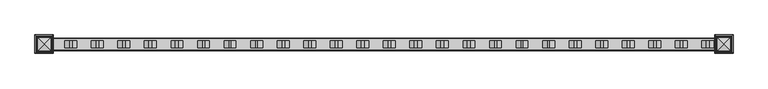
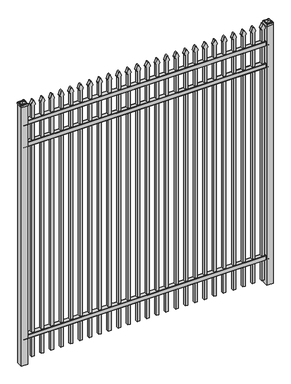
"""IFC4 building model written with IfcOpenShell, lengths in millimetres: railing geometry."""

from ifc_helpers import new_model, si_unit, point, frame, frame_2d, origin, origin_with_axes, place, context, project, spatial, polyline, circle_curve, ellipse_curve, trimmed, segment, composite_curve, outline, extrude, source, transform, mapped, element, save
from ifc_brep_helpers import plane_surface, cylinder_surface, advanced_brep


def railing_880d1dbe(model_context):
    return source(origin(), model_context, "Body", "SolidModel", [
        extrude(outline(composite_curve([segment(polyline([(5777.9139761, 304.8), (5815.969541, 304.8)]), True, "CONTINUOUS"), segment(trimmed(circle_curve(frame_2d((5815.969541, 301.625)), 3.175), [point((5815.969541, 304.8))], [point((5819.144541, 301.625))], False, "CARTESIAN"), True, "CONTINUOUS"), segment(polyline([(5819.144541, 301.625), (5819.144541, 262.1439893)]), True, "CONTINUOUS"), segment(trimmed(circle_curve(frame_2d((5817.3505518, 262.1439893)), 1.7939893), [point((5819.144541, 262.1439893))], [point((5817.3505518, 260.35))], False, "CARTESIAN"), True, "CONTINUOUS"), segment(polyline([(5817.3505518, 260.35), (5814.7590713, 260.35)]), True, "CONTINUOUS"), segment(trimmed(circle_curve(frame_2d((5814.7590713, 262.1359375)), 1.7859375), [point((5814.7590713, 260.35))], [point((5812.9755813, 262.0424688))], False, "CARTESIAN"), True, "CONTINUOUS"), segment(polyline([(5812.9755813, 262.0424688), (5811.4025867, 292.0569942), (5782.4364954, 292.0569942), (5780.8635007, 262.0424688)]), True, "CONTINUOUS"), segment(trimmed(circle_curve(frame_2d((5779.0800108, 262.1359375)), 1.7859375), [point((5780.8635007, 262.0424688))], [point((5779.0800108, 260.35))], False, "CARTESIAN"), True, "CONTINUOUS"), segment(polyline([(5779.0800108, 260.35), (5776.4804785, 260.35)]), True, "CONTINUOUS"), segment(trimmed(circle_curve(frame_2d((5776.4804785, 262.1359375)), 1.7859375), [point((5776.4804785, 260.35))], [point((5774.694541, 262.1359375))], False, "CARTESIAN"), True, "CONTINUOUS"), segment(polyline([(5774.694541, 262.1359375), (5774.694541, 301.5805649)]), True, "CONTINUOUS"), segment(trimmed(circle_curve(frame_2d((5777.9139761, 301.5805649)), 3.2194351), [point((5774.694541, 301.5805649))], [point((5777.9139761, 304.8))], False, "CARTESIAN"), True, "CONTINUOUS")], self_intersect=False)), frame((-28443.4649936, 0.0, 0.0), z_axis=(1.0, 0.0, 0.0), x_axis=(0.0, 1.0, 0.0)), (0.0, 0.0, 1.0), 2438.4),
        extrude(outline(composite_curve([segment(polyline([(5777.9139761, 2324.1), (5815.969541, 2324.1)]), True, "CONTINUOUS"), segment(trimmed(circle_curve(frame_2d((5815.969541, 2320.925)), 3.175), [point((5815.969541, 2324.1))], [point((5819.144541, 2320.925))], False, "CARTESIAN"), True, "CONTINUOUS"), segment(polyline([(5819.144541, 2320.925), (5819.144541, 2281.4439893)]), True, "CONTINUOUS"), segment(trimmed(circle_curve(frame_2d((5817.3505518, 2281.4439893)), 1.7939893), [point((5819.144541, 2281.4439893))], [point((5817.3505518, 2279.65))], False, "CARTESIAN"), True, "CONTINUOUS"), segment(polyline([(5817.3505518, 2279.65), (5814.7590713, 2279.65)]), True, "CONTINUOUS"), segment(trimmed(circle_curve(frame_2d((5814.7590713, 2281.4359375)), 1.7859375), [point((5814.7590713, 2279.65))], [point((5812.9755813, 2281.3424688))], False, "CARTESIAN"), True, "CONTINUOUS"), segment(polyline([(5812.9755813, 2281.3424688), (5811.4025867, 2311.3569942), (5782.4364954, 2311.3569942), (5780.8635007, 2281.3424688)]), True, "CONTINUOUS"), segment(trimmed(circle_curve(frame_2d((5779.0800108, 2281.4359375)), 1.7859375), [point((5780.8635007, 2281.3424688))], [point((5779.0800108, 2279.65))], False, "CARTESIAN"), True, "CONTINUOUS"), segment(polyline([(5779.0800108, 2279.65), (5776.4804785, 2279.65)]), True, "CONTINUOUS"), segment(trimmed(circle_curve(frame_2d((5776.4804785, 2281.4359375)), 1.7859375), [point((5776.4804785, 2279.65))], [point((5774.694541, 2281.4359375))], False, "CARTESIAN"), True, "CONTINUOUS"), segment(polyline([(5774.694541, 2281.4359375), (5774.694541, 2320.8805649)]), True, "CONTINUOUS"), segment(trimmed(circle_curve(frame_2d((5777.9139761, 2320.8805649)), 3.2194351), [point((5774.694541, 2320.8805649))], [point((5777.9139761, 2324.1))], False, "CARTESIAN"), True, "CONTINUOUS")], self_intersect=False)), frame((-28443.4649936, 0.0, 0.0), z_axis=(1.0, 0.0, 0.0), x_axis=(0.0, 1.0, 0.0)), (0.0, 0.0, 1.0), 2438.4),
        extrude(outline(composite_curve([segment(polyline([(5777.9139761, 2554.2875), (5815.969541, 2554.2875)]), True, "CONTINUOUS"), segment(trimmed(circle_curve(frame_2d((5815.969541, 2551.1125)), 3.175), [point((5815.969541, 2554.2875))], [point((5819.144541, 2551.1125))], False, "CARTESIAN"), True, "CONTINUOUS"), segment(polyline([(5819.144541, 2551.1125), (5819.144541, 2511.6314893)]), True, "CONTINUOUS"), segment(trimmed(circle_curve(frame_2d((5817.3505518, 2511.6314893)), 1.7939893), [point((5819.144541, 2511.6314893))], [point((5817.3505518, 2509.8375))], False, "CARTESIAN"), True, "CONTINUOUS"), segment(polyline([(5817.3505518, 2509.8375), (5814.7590713, 2509.8375)]), True, "CONTINUOUS"), segment(trimmed(circle_curve(frame_2d((5814.7590713, 2511.6234375)), 1.7859375), [point((5814.7590713, 2509.8375))], [point((5812.9755813, 2511.5299688))], False, "CARTESIAN"), True, "CONTINUOUS"), segment(polyline([(5812.9755813, 2511.5299688), (5811.4025867, 2541.5444942), (5782.4364954, 2541.5444942), (5780.8635007, 2511.5299688)]), True, "CONTINUOUS"), segment(trimmed(circle_curve(frame_2d((5779.0800108, 2511.6234375)), 1.7859375), [point((5780.8635007, 2511.5299688))], [point((5779.0800108, 2509.8375))], False, "CARTESIAN"), True, "CONTINUOUS"), segment(polyline([(5779.0800108, 2509.8375), (5776.4804785, 2509.8375)]), True, "CONTINUOUS"), segment(trimmed(circle_curve(frame_2d((5776.4804785, 2511.6234375)), 1.7859375), [point((5776.4804785, 2509.8375))], [point((5774.694541, 2511.6234375))], False, "CARTESIAN"), True, "CONTINUOUS"), segment(polyline([(5774.694541, 2511.6234375), (5774.694541, 2551.0680649)]), True, "CONTINUOUS"), segment(trimmed(circle_curve(frame_2d((5777.9139761, 2551.0680649)), 3.2194351), [point((5774.694541, 2551.0680649))], [point((5777.9139761, 2554.2875))], False, "CARTESIAN"), True, "CONTINUOUS")], self_intersect=False)), frame((-28443.4649936, 0.0, 0.0), z_axis=(1.0, 0.0, 0.0), x_axis=(0.0, 1.0, 0.0)), (0.0, 0.0, 1.0), 2438.4),
        extrude(outline(composite_curve([segment(polyline([(2683.8798417, -26074.9149936), (50.8, -26074.9149936), (50.8, -26049.5149936), (2683.6579232, -26049.5149936)]), True, "CONTINUOUS"), segment(trimmed(circle_curve(frame_2d((2702.1299402, -26063.3872336)), 23.1009622), [point((2683.6579232, -26049.5149936))], [point((2696.6676176, -26040.9413545))], False, "CARTESIAN"), True, "CONTINUOUS"), segment(polyline([(2696.6676176, -26040.9413545), (2737.1555225, -26057.2605644)]), True, "CONTINUOUS"), segment(trimmed(circle_curve(frame_2d((2734.0045804, -26062.3905764)), 6.0204202), [point((2737.1555225, -26057.2605644))], [point((2737.1555225, -26067.5205884))], False, "CARTESIAN"), True, "CONTINUOUS"), segment(polyline([(2737.1555225, -26067.5205884), (2697.9339948, -26083.4687724)]), True, "CONTINUOUS"), segment(trimmed(circle_curve(frame_2d((2702.1299402, -26060.7520716)), 23.1009622), [point((2697.9339948, -26083.4687724))], [point((2683.8798417, -26074.9149936))], False, "CARTESIAN"), True, "CONTINUOUS")], self_intersect=False)), frame((0.0, 5784.219541, 0.0), z_axis=(0.0, 1.0, 0.0), x_axis=(0.0, 0.0, 1.0)), (0.0, 0.0, 1.0), 25.4),
        extrude(outline(composite_curve([segment(polyline([(2683.8798417, -26170.1649936), (50.8, -26170.1649936), (50.8, -26144.7649936), (2683.6579232, -26144.7649936)]), True, "CONTINUOUS"), segment(trimmed(circle_curve(frame_2d((2702.1299402, -26158.6372336)), 23.1009622), [point((2683.6579232, -26144.7649936))], [point((2696.6676176, -26136.1913545))], False, "CARTESIAN"), True, "CONTINUOUS"), segment(polyline([(2696.6676176, -26136.1913545), (2737.1555225, -26152.5105644)]), True, "CONTINUOUS"), segment(trimmed(circle_curve(frame_2d((2734.0045804, -26157.6405764)), 6.0204202), [point((2737.1555225, -26152.5105644))], [point((2737.1555225, -26162.7705884))], False, "CARTESIAN"), True, "CONTINUOUS"), segment(polyline([(2737.1555225, -26162.7705884), (2697.9339948, -26178.7187724)]), True, "CONTINUOUS"), segment(trimmed(circle_curve(frame_2d((2702.1299402, -26156.0020716)), 23.1009622), [point((2697.9339948, -26178.7187724))], [point((2683.8798417, -26170.1649936))], False, "CARTESIAN"), True, "CONTINUOUS")], self_intersect=False)), frame((0.0, 5784.219541, 0.0), z_axis=(0.0, 1.0, 0.0), x_axis=(0.0, 0.0, 1.0)), (0.0, 0.0, 1.0), 25.4),
        extrude(outline(composite_curve([segment(polyline([(2683.8798417, -26265.4149936), (50.8, -26265.4149936), (50.8, -26240.0149936), (2683.6579232, -26240.0149936)]), True, "CONTINUOUS"), segment(trimmed(circle_curve(frame_2d((2702.1299402, -26253.8872336)), 23.1009622), [point((2683.6579232, -26240.0149936))], [point((2696.6676176, -26231.4413545))], False, "CARTESIAN"), True, "CONTINUOUS"), segment(polyline([(2696.6676176, -26231.4413545), (2737.1555225, -26247.7605644)]), True, "CONTINUOUS"), segment(trimmed(circle_curve(frame_2d((2734.0045804, -26252.8905764)), 6.0204202), [point((2737.1555225, -26247.7605644))], [point((2737.1555225, -26258.0205884))], False, "CARTESIAN"), True, "CONTINUOUS"), segment(polyline([(2737.1555225, -26258.0205884), (2697.9339948, -26273.9687724)]), True, "CONTINUOUS"), segment(trimmed(circle_curve(frame_2d((2702.1299402, -26251.2520716)), 23.1009622), [point((2697.9339948, -26273.9687724))], [point((2683.8798417, -26265.4149936))], False, "CARTESIAN"), True, "CONTINUOUS")], self_intersect=False)), frame((0.0, 5784.219541, 0.0), z_axis=(0.0, 1.0, 0.0), x_axis=(0.0, 0.0, 1.0)), (0.0, 0.0, 1.0), 25.4),
        extrude(outline(composite_curve([segment(polyline([(2683.8798417, -26360.6649936), (50.8, -26360.6649936), (50.8, -26335.2649936), (2683.6579232, -26335.2649936)]), True, "CONTINUOUS"), segment(trimmed(circle_curve(frame_2d((2702.1299402, -26349.1372336)), 23.1009622), [point((2683.6579232, -26335.2649936))], [point((2696.6676176, -26326.6913545))], False, "CARTESIAN"), True, "CONTINUOUS"), segment(polyline([(2696.6676176, -26326.6913545), (2737.1555225, -26343.0105644)]), True, "CONTINUOUS"), segment(trimmed(circle_curve(frame_2d((2734.0045804, -26348.1405764)), 6.0204202), [point((2737.1555225, -26343.0105644))], [point((2737.1555225, -26353.2705884))], False, "CARTESIAN"), True, "CONTINUOUS"), segment(polyline([(2737.1555225, -26353.2705884), (2697.9339948, -26369.2187724)]), True, "CONTINUOUS"), segment(trimmed(circle_curve(frame_2d((2702.1299402, -26346.5020716)), 23.1009622), [point((2697.9339948, -26369.2187724))], [point((2683.8798417, -26360.6649936))], False, "CARTESIAN"), True, "CONTINUOUS")], self_intersect=False)), frame((0.0, 5784.219541, 0.0), z_axis=(0.0, 1.0, 0.0), x_axis=(0.0, 0.0, 1.0)), (0.0, 0.0, 1.0), 25.4),
        extrude(outline(composite_curve([segment(polyline([(2683.8798417, -26455.9149936), (50.8, -26455.9149936), (50.8, -26430.5149936), (2683.6579232, -26430.5149936)]), True, "CONTINUOUS"), segment(trimmed(circle_curve(frame_2d((2702.1299402, -26444.3872336)), 23.1009622), [point((2683.6579232, -26430.5149936))], [point((2696.6676176, -26421.9413545))], False, "CARTESIAN"), True, "CONTINUOUS"), segment(polyline([(2696.6676176, -26421.9413545), (2737.1555225, -26438.2605644)]), True, "CONTINUOUS"), segment(trimmed(circle_curve(frame_2d((2734.0045804, -26443.3905764)), 6.0204202), [point((2737.1555225, -26438.2605644))], [point((2737.1555225, -26448.5205884))], False, "CARTESIAN"), True, "CONTINUOUS"), segment(polyline([(2737.1555225, -26448.5205884), (2697.9339948, -26464.4687724)]), True, "CONTINUOUS"), segment(trimmed(circle_curve(frame_2d((2702.1299402, -26441.7520716)), 23.1009622), [point((2697.9339948, -26464.4687724))], [point((2683.8798417, -26455.9149936))], False, "CARTESIAN"), True, "CONTINUOUS")], self_intersect=False)), frame((0.0, 5784.219541, 0.0), z_axis=(0.0, 1.0, 0.0), x_axis=(0.0, 0.0, 1.0)), (0.0, 0.0, 1.0), 25.4),
        extrude(outline(composite_curve([segment(polyline([(2683.8798417, -26551.1649936), (50.8, -26551.1649936), (50.8, -26525.7649936), (2683.6579232, -26525.7649936)]), True, "CONTINUOUS"), segment(trimmed(circle_curve(frame_2d((2702.1299402, -26539.6372336)), 23.1009622), [point((2683.6579232, -26525.7649936))], [point((2696.6676176, -26517.1913545))], False, "CARTESIAN"), True, "CONTINUOUS"), segment(polyline([(2696.6676176, -26517.1913545), (2737.1555225, -26533.5105644)]), True, "CONTINUOUS"), segment(trimmed(circle_curve(frame_2d((2734.0045804, -26538.6405764)), 6.0204202), [point((2737.1555225, -26533.5105644))], [point((2737.1555225, -26543.7705884))], False, "CARTESIAN"), True, "CONTINUOUS"), segment(polyline([(2737.1555225, -26543.7705884), (2697.9339948, -26559.7187724)]), True, "CONTINUOUS"), segment(trimmed(circle_curve(frame_2d((2702.1299402, -26537.0020716)), 23.1009622), [point((2697.9339948, -26559.7187724))], [point((2683.8798417, -26551.1649936))], False, "CARTESIAN"), True, "CONTINUOUS")], self_intersect=False)), frame((0.0, 5784.219541, 0.0), z_axis=(0.0, 1.0, 0.0), x_axis=(0.0, 0.0, 1.0)), (0.0, 0.0, 1.0), 25.4),
        extrude(outline(composite_curve([segment(polyline([(2683.8798417, -26646.4149936), (50.8, -26646.4149936), (50.8, -26621.0149936), (2683.6579232, -26621.0149936)]), True, "CONTINUOUS"), segment(trimmed(circle_curve(frame_2d((2702.1299402, -26634.8872336)), 23.1009622), [point((2683.6579232, -26621.0149936))], [point((2696.6676176, -26612.4413545))], False, "CARTESIAN"), True, "CONTINUOUS"), segment(polyline([(2696.6676176, -26612.4413545), (2737.1555225, -26628.7605644)]), True, "CONTINUOUS"), segment(trimmed(circle_curve(frame_2d((2734.0045804, -26633.8905764)), 6.0204202), [point((2737.1555225, -26628.7605644))], [point((2737.1555225, -26639.0205884))], False, "CARTESIAN"), True, "CONTINUOUS"), segment(polyline([(2737.1555225, -26639.0205884), (2697.9339948, -26654.9687724)]), True, "CONTINUOUS"), segment(trimmed(circle_curve(frame_2d((2702.1299402, -26632.2520716)), 23.1009622), [point((2697.9339948, -26654.9687724))], [point((2683.8798417, -26646.4149936))], False, "CARTESIAN"), True, "CONTINUOUS")], self_intersect=False)), frame((0.0, 5784.219541, 0.0), z_axis=(0.0, 1.0, 0.0), x_axis=(0.0, 0.0, 1.0)), (0.0, 0.0, 1.0), 25.4),
        extrude(outline(composite_curve([segment(polyline([(2683.8798417, -26741.6649936), (50.8, -26741.6649936), (50.8, -26716.2649936), (2683.6579232, -26716.2649936)]), True, "CONTINUOUS"), segment(trimmed(circle_curve(frame_2d((2702.1299402, -26730.1372336)), 23.1009622), [point((2683.6579232, -26716.2649936))], [point((2696.6676176, -26707.6913545))], False, "CARTESIAN"), True, "CONTINUOUS"), segment(polyline([(2696.6676176, -26707.6913545), (2737.1555225, -26724.0105644)]), True, "CONTINUOUS"), segment(trimmed(circle_curve(frame_2d((2734.0045804, -26729.1405764)), 6.0204202), [point((2737.1555225, -26724.0105644))], [point((2737.1555225, -26734.2705884))], False, "CARTESIAN"), True, "CONTINUOUS"), segment(polyline([(2737.1555225, -26734.2705884), (2697.9339948, -26750.2187724)]), True, "CONTINUOUS"), segment(trimmed(circle_curve(frame_2d((2702.1299402, -26727.5020716)), 23.1009622), [point((2697.9339948, -26750.2187724))], [point((2683.8798417, -26741.6649936))], False, "CARTESIAN"), True, "CONTINUOUS")], self_intersect=False)), frame((0.0, 5784.219541, 0.0), z_axis=(0.0, 1.0, 0.0), x_axis=(0.0, 0.0, 1.0)), (0.0, 0.0, 1.0), 25.4),
        extrude(outline(composite_curve([segment(polyline([(2683.8798417, -26836.9149936), (50.8, -26836.9149936), (50.8, -26811.5149936), (2683.6579232, -26811.5149936)]), True, "CONTINUOUS"), segment(trimmed(circle_curve(frame_2d((2702.1299402, -26825.3872336)), 23.1009622), [point((2683.6579232, -26811.5149936))], [point((2696.6676176, -26802.9413545))], False, "CARTESIAN"), True, "CONTINUOUS"), segment(polyline([(2696.6676176, -26802.9413545), (2737.1555225, -26819.2605644)]), True, "CONTINUOUS"), segment(trimmed(circle_curve(frame_2d((2734.0045804, -26824.3905764)), 6.0204202), [point((2737.1555225, -26819.2605644))], [point((2737.1555225, -26829.5205884))], False, "CARTESIAN"), True, "CONTINUOUS"), segment(polyline([(2737.1555225, -26829.5205884), (2697.9339948, -26845.4687724)]), True, "CONTINUOUS"), segment(trimmed(circle_curve(frame_2d((2702.1299402, -26822.7520716)), 23.1009622), [point((2697.9339948, -26845.4687724))], [point((2683.8798417, -26836.9149936))], False, "CARTESIAN"), True, "CONTINUOUS")], self_intersect=False)), frame((0.0, 5784.219541, 0.0), z_axis=(0.0, 1.0, 0.0), x_axis=(0.0, 0.0, 1.0)), (0.0, 0.0, 1.0), 25.4),
        extrude(outline(composite_curve([segment(polyline([(2683.8798417, -26932.1649936), (50.8, -26932.1649936), (50.8, -26906.7649936), (2683.6579232, -26906.7649936)]), True, "CONTINUOUS"), segment(trimmed(circle_curve(frame_2d((2702.1299402, -26920.6372336)), 23.1009622), [point((2683.6579232, -26906.7649936))], [point((2696.6676176, -26898.1913545))], False, "CARTESIAN"), True, "CONTINUOUS"), segment(polyline([(2696.6676176, -26898.1913545), (2737.1555225, -26914.5105644)]), True, "CONTINUOUS"), segment(trimmed(circle_curve(frame_2d((2734.0045804, -26919.6405764)), 6.0204202), [point((2737.1555225, -26914.5105644))], [point((2737.1555225, -26924.7705884))], False, "CARTESIAN"), True, "CONTINUOUS"), segment(polyline([(2737.1555225, -26924.7705884), (2697.9339948, -26940.7187724)]), True, "CONTINUOUS"), segment(trimmed(circle_curve(frame_2d((2702.1299402, -26918.0020716)), 23.1009622), [point((2697.9339948, -26940.7187724))], [point((2683.8798417, -26932.1649936))], False, "CARTESIAN"), True, "CONTINUOUS")], self_intersect=False)), frame((0.0, 5784.219541, 0.0), z_axis=(0.0, 1.0, 0.0), x_axis=(0.0, 0.0, 1.0)), (0.0, 0.0, 1.0), 25.4),
        extrude(outline(composite_curve([segment(polyline([(2683.8798417, -27027.4149936), (50.8, -27027.4149936), (50.8, -27002.0149936), (2683.6579232, -27002.0149936)]), True, "CONTINUOUS"), segment(trimmed(circle_curve(frame_2d((2702.1299402, -27015.8872336)), 23.1009622), [point((2683.6579232, -27002.0149936))], [point((2696.6676176, -26993.4413545))], False, "CARTESIAN"), True, "CONTINUOUS"), segment(polyline([(2696.6676176, -26993.4413545), (2737.1555225, -27009.7605644)]), True, "CONTINUOUS"), segment(trimmed(circle_curve(frame_2d((2734.0045804, -27014.8905764)), 6.0204202), [point((2737.1555225, -27009.7605644))], [point((2737.1555225, -27020.0205884))], False, "CARTESIAN"), True, "CONTINUOUS"), segment(polyline([(2737.1555225, -27020.0205884), (2697.9339948, -27035.9687724)]), True, "CONTINUOUS"), segment(trimmed(circle_curve(frame_2d((2702.1299402, -27013.2520716)), 23.1009622), [point((2697.9339948, -27035.9687724))], [point((2683.8798417, -27027.4149936))], False, "CARTESIAN"), True, "CONTINUOUS")], self_intersect=False)), frame((0.0, 5784.219541, 0.0), z_axis=(0.0, 1.0, 0.0), x_axis=(0.0, 0.0, 1.0)), (0.0, 0.0, 1.0), 25.4),
        extrude(outline(composite_curve([segment(polyline([(2683.8798417, -27122.6649936), (50.8, -27122.6649936), (50.8, -27097.2649936), (2683.6579232, -27097.2649936)]), True, "CONTINUOUS"), segment(trimmed(circle_curve(frame_2d((2702.1299402, -27111.1372336)), 23.1009622), [point((2683.6579232, -27097.2649936))], [point((2696.6676176, -27088.6913545))], False, "CARTESIAN"), True, "CONTINUOUS"), segment(polyline([(2696.6676176, -27088.6913545), (2737.1555225, -27105.0105644)]), True, "CONTINUOUS"), segment(trimmed(circle_curve(frame_2d((2734.0045804, -27110.1405764)), 6.0204202), [point((2737.1555225, -27105.0105644))], [point((2737.1555225, -27115.2705884))], False, "CARTESIAN"), True, "CONTINUOUS"), segment(polyline([(2737.1555225, -27115.2705884), (2697.9339948, -27131.2187724)]), True, "CONTINUOUS"), segment(trimmed(circle_curve(frame_2d((2702.1299402, -27108.5020716)), 23.1009622), [point((2697.9339948, -27131.2187724))], [point((2683.8798417, -27122.6649936))], False, "CARTESIAN"), True, "CONTINUOUS")], self_intersect=False)), frame((0.0, 5784.219541, 0.0), z_axis=(0.0, 1.0, 0.0), x_axis=(0.0, 0.0, 1.0)), (0.0, 0.0, 1.0), 25.4),
        extrude(outline(composite_curve([segment(polyline([(2683.8798417, -27217.9149936), (50.8, -27217.9149936), (50.8, -27192.5149936), (2683.6579232, -27192.5149936)]), True, "CONTINUOUS"), segment(trimmed(circle_curve(frame_2d((2702.1299402, -27206.3872336)), 23.1009622), [point((2683.6579232, -27192.5149936))], [point((2696.6676176, -27183.9413545))], False, "CARTESIAN"), True, "CONTINUOUS"), segment(polyline([(2696.6676176, -27183.9413545), (2737.1555225, -27200.2605644)]), True, "CONTINUOUS"), segment(trimmed(circle_curve(frame_2d((2734.0045804, -27205.3905764)), 6.0204202), [point((2737.1555225, -27200.2605644))], [point((2737.1555225, -27210.5205884))], False, "CARTESIAN"), True, "CONTINUOUS"), segment(polyline([(2737.1555225, -27210.5205884), (2697.9339948, -27226.4687724)]), True, "CONTINUOUS"), segment(trimmed(circle_curve(frame_2d((2702.1299402, -27203.7520716)), 23.1009622), [point((2697.9339948, -27226.4687724))], [point((2683.8798417, -27217.9149936))], False, "CARTESIAN"), True, "CONTINUOUS")], self_intersect=False)), frame((0.0, 5784.219541, 0.0), z_axis=(0.0, 1.0, 0.0), x_axis=(0.0, 0.0, 1.0)), (0.0, 0.0, 1.0), 25.4),
        extrude(outline(composite_curve([segment(polyline([(2683.8798417, -27313.1649936), (50.8, -27313.1649936), (50.8, -27287.7649936), (2683.6579232, -27287.7649936)]), True, "CONTINUOUS"), segment(trimmed(circle_curve(frame_2d((2702.1299402, -27301.6372336)), 23.1009622), [point((2683.6579232, -27287.7649936))], [point((2696.6676176, -27279.1913545))], False, "CARTESIAN"), True, "CONTINUOUS"), segment(polyline([(2696.6676176, -27279.1913545), (2737.1555225, -27295.5105644)]), True, "CONTINUOUS"), segment(trimmed(circle_curve(frame_2d((2734.0045804, -27300.6405764)), 6.0204202), [point((2737.1555225, -27295.5105644))], [point((2737.1555225, -27305.7705884))], False, "CARTESIAN"), True, "CONTINUOUS"), segment(polyline([(2737.1555225, -27305.7705884), (2697.9339948, -27321.7187724)]), True, "CONTINUOUS"), segment(trimmed(circle_curve(frame_2d((2702.1299402, -27299.0020716)), 23.1009622), [point((2697.9339948, -27321.7187724))], [point((2683.8798417, -27313.1649936))], False, "CARTESIAN"), True, "CONTINUOUS")], self_intersect=False)), frame((0.0, 5784.219541, 0.0), z_axis=(0.0, 1.0, 0.0), x_axis=(0.0, 0.0, 1.0)), (0.0, 0.0, 1.0), 25.4),
        extrude(outline(composite_curve([segment(polyline([(2683.8798417, -27408.4149936), (50.8, -27408.4149936), (50.8, -27383.0149936), (2683.6579232, -27383.0149936)]), True, "CONTINUOUS"), segment(trimmed(circle_curve(frame_2d((2702.1299402, -27396.8872336)), 23.1009622), [point((2683.6579232, -27383.0149936))], [point((2696.6676176, -27374.4413545))], False, "CARTESIAN"), True, "CONTINUOUS"), segment(polyline([(2696.6676176, -27374.4413545), (2737.1555225, -27390.7605644)]), True, "CONTINUOUS"), segment(trimmed(circle_curve(frame_2d((2734.0045804, -27395.8905764)), 6.0204202), [point((2737.1555225, -27390.7605644))], [point((2737.1555225, -27401.0205884))], False, "CARTESIAN"), True, "CONTINUOUS"), segment(polyline([(2737.1555225, -27401.0205884), (2697.9339948, -27416.9687724)]), True, "CONTINUOUS"), segment(trimmed(circle_curve(frame_2d((2702.1299402, -27394.2520716)), 23.1009622), [point((2697.9339948, -27416.9687724))], [point((2683.8798417, -27408.4149936))], False, "CARTESIAN"), True, "CONTINUOUS")], self_intersect=False)), frame((0.0, 5784.219541, 0.0), z_axis=(0.0, 1.0, 0.0), x_axis=(0.0, 0.0, 1.0)), (0.0, 0.0, 1.0), 25.4),
        extrude(outline(composite_curve([segment(polyline([(2683.8798417, -27503.6649936), (50.8, -27503.6649936), (50.8, -27478.2649936), (2683.6579232, -27478.2649936)]), True, "CONTINUOUS"), segment(trimmed(circle_curve(frame_2d((2702.1299402, -27492.1372336)), 23.1009622), [point((2683.6579232, -27478.2649936))], [point((2696.6676176, -27469.6913545))], False, "CARTESIAN"), True, "CONTINUOUS"), segment(polyline([(2696.6676176, -27469.6913545), (2737.1555225, -27486.0105644)]), True, "CONTINUOUS"), segment(trimmed(circle_curve(frame_2d((2734.0045804, -27491.1405764)), 6.0204202), [point((2737.1555225, -27486.0105644))], [point((2737.1555225, -27496.2705884))], False, "CARTESIAN"), True, "CONTINUOUS"), segment(polyline([(2737.1555225, -27496.2705884), (2697.9339948, -27512.2187724)]), True, "CONTINUOUS"), segment(trimmed(circle_curve(frame_2d((2702.1299402, -27489.5020716)), 23.1009622), [point((2697.9339948, -27512.2187724))], [point((2683.8798417, -27503.6649936))], False, "CARTESIAN"), True, "CONTINUOUS")], self_intersect=False)), frame((0.0, 5784.219541, 0.0), z_axis=(0.0, 1.0, 0.0), x_axis=(0.0, 0.0, 1.0)), (0.0, 0.0, 1.0), 25.4),
        extrude(outline(composite_curve([segment(polyline([(2683.8798417, -27598.9149936), (50.8, -27598.9149936), (50.8, -27573.5149936), (2683.6579232, -27573.5149936)]), True, "CONTINUOUS"), segment(trimmed(circle_curve(frame_2d((2702.1299402, -27587.3872336)), 23.1009622), [point((2683.6579232, -27573.5149936))], [point((2696.6676176, -27564.9413545))], False, "CARTESIAN"), True, "CONTINUOUS"), segment(polyline([(2696.6676176, -27564.9413545), (2737.1555225, -27581.2605644)]), True, "CONTINUOUS"), segment(trimmed(circle_curve(frame_2d((2734.0045804, -27586.3905764)), 6.0204202), [point((2737.1555225, -27581.2605644))], [point((2737.1555225, -27591.5205884))], False, "CARTESIAN"), True, "CONTINUOUS"), segment(polyline([(2737.1555225, -27591.5205884), (2697.9339948, -27607.4687724)]), True, "CONTINUOUS"), segment(trimmed(circle_curve(frame_2d((2702.1299402, -27584.7520716)), 23.1009622), [point((2697.9339948, -27607.4687724))], [point((2683.8798417, -27598.9149936))], False, "CARTESIAN"), True, "CONTINUOUS")], self_intersect=False)), frame((0.0, 5784.219541, 0.0), z_axis=(0.0, 1.0, 0.0), x_axis=(0.0, 0.0, 1.0)), (0.0, 0.0, 1.0), 25.4),
        extrude(outline(composite_curve([segment(polyline([(2683.8798417, -27694.1649936), (50.8, -27694.1649936), (50.8, -27668.7649936), (2683.6579232, -27668.7649936)]), True, "CONTINUOUS"), segment(trimmed(circle_curve(frame_2d((2702.1299402, -27682.6372336)), 23.1009622), [point((2683.6579232, -27668.7649936))], [point((2696.6676176, -27660.1913545))], False, "CARTESIAN"), True, "CONTINUOUS"), segment(polyline([(2696.6676176, -27660.1913545), (2737.1555225, -27676.5105644)]), True, "CONTINUOUS"), segment(trimmed(circle_curve(frame_2d((2734.0045804, -27681.6405764)), 6.0204202), [point((2737.1555225, -27676.5105644))], [point((2737.1555225, -27686.7705884))], False, "CARTESIAN"), True, "CONTINUOUS"), segment(polyline([(2737.1555225, -27686.7705884), (2697.9339948, -27702.7187724)]), True, "CONTINUOUS"), segment(trimmed(circle_curve(frame_2d((2702.1299402, -27680.0020716)), 23.1009622), [point((2697.9339948, -27702.7187724))], [point((2683.8798417, -27694.1649936))], False, "CARTESIAN"), True, "CONTINUOUS")], self_intersect=False)), frame((0.0, 5784.219541, 0.0), z_axis=(0.0, 1.0, 0.0), x_axis=(0.0, 0.0, 1.0)), (0.0, 0.0, 1.0), 25.4),
        extrude(outline(composite_curve([segment(polyline([(2683.8798417, -27789.4149936), (50.8, -27789.4149936), (50.8, -27764.0149936), (2683.6579232, -27764.0149936)]), True, "CONTINUOUS"), segment(trimmed(circle_curve(frame_2d((2702.1299402, -27777.8872336)), 23.1009622), [point((2683.6579232, -27764.0149936))], [point((2696.6676176, -27755.4413545))], False, "CARTESIAN"), True, "CONTINUOUS"), segment(polyline([(2696.6676176, -27755.4413545), (2737.1555225, -27771.7605644)]), True, "CONTINUOUS"), segment(trimmed(circle_curve(frame_2d((2734.0045804, -27776.8905764)), 6.0204202), [point((2737.1555225, -27771.7605644))], [point((2737.1555225, -27782.0205884))], False, "CARTESIAN"), True, "CONTINUOUS"), segment(polyline([(2737.1555225, -27782.0205884), (2697.9339948, -27797.9687724)]), True, "CONTINUOUS"), segment(trimmed(circle_curve(frame_2d((2702.1299402, -27775.2520716)), 23.1009622), [point((2697.9339948, -27797.9687724))], [point((2683.8798417, -27789.4149936))], False, "CARTESIAN"), True, "CONTINUOUS")], self_intersect=False)), frame((0.0, 5784.219541, 0.0), z_axis=(0.0, 1.0, 0.0), x_axis=(0.0, 0.0, 1.0)), (0.0, 0.0, 1.0), 25.4),
        extrude(outline(composite_curve([segment(polyline([(2683.8798417, -27884.6649936), (50.8, -27884.6649936), (50.8, -27859.2649936), (2683.6579232, -27859.2649936)]), True, "CONTINUOUS"), segment(trimmed(circle_curve(frame_2d((2702.1299402, -27873.1372336)), 23.1009622), [point((2683.6579232, -27859.2649936))], [point((2696.6676176, -27850.6913545))], False, "CARTESIAN"), True, "CONTINUOUS"), segment(polyline([(2696.6676176, -27850.6913545), (2737.1555225, -27867.0105644)]), True, "CONTINUOUS"), segment(trimmed(circle_curve(frame_2d((2734.0045804, -27872.1405764)), 6.0204202), [point((2737.1555225, -27867.0105644))], [point((2737.1555225, -27877.2705884))], False, "CARTESIAN"), True, "CONTINUOUS"), segment(polyline([(2737.1555225, -27877.2705884), (2697.9339948, -27893.2187724)]), True, "CONTINUOUS"), segment(trimmed(circle_curve(frame_2d((2702.1299402, -27870.5020716)), 23.1009622), [point((2697.9339948, -27893.2187724))], [point((2683.8798417, -27884.6649936))], False, "CARTESIAN"), True, "CONTINUOUS")], self_intersect=False)), frame((0.0, 5784.219541, 0.0), z_axis=(0.0, 1.0, 0.0), x_axis=(0.0, 0.0, 1.0)), (0.0, 0.0, 1.0), 25.4),
        extrude(outline(composite_curve([segment(polyline([(2683.8798417, -27979.9149936), (50.8, -27979.9149936), (50.8, -27954.5149936), (2683.6579232, -27954.5149936)]), True, "CONTINUOUS"), segment(trimmed(circle_curve(frame_2d((2702.1299402, -27968.3872336)), 23.1009622), [point((2683.6579232, -27954.5149936))], [point((2696.6676176, -27945.9413545))], False, "CARTESIAN"), True, "CONTINUOUS"), segment(polyline([(2696.6676176, -27945.9413545), (2737.1555225, -27962.2605644)]), True, "CONTINUOUS"), segment(trimmed(circle_curve(frame_2d((2734.0045804, -27967.3905764)), 6.0204202), [point((2737.1555225, -27962.2605644))], [point((2737.1555225, -27972.5205884))], False, "CARTESIAN"), True, "CONTINUOUS"), segment(polyline([(2737.1555225, -27972.5205884), (2697.9339948, -27988.4687724)]), True, "CONTINUOUS"), segment(trimmed(circle_curve(frame_2d((2702.1299402, -27965.7520716)), 23.1009622), [point((2697.9339948, -27988.4687724))], [point((2683.8798417, -27979.9149936))], False, "CARTESIAN"), True, "CONTINUOUS")], self_intersect=False)), frame((0.0, 5784.219541, 0.0), z_axis=(0.0, 1.0, 0.0), x_axis=(0.0, 0.0, 1.0)), (0.0, 0.0, 1.0), 25.4),
        extrude(outline(composite_curve([segment(polyline([(2683.8798417, -28075.1649936), (50.8, -28075.1649936), (50.8, -28049.7649936), (2683.6579232, -28049.7649936)]), True, "CONTINUOUS"), segment(trimmed(circle_curve(frame_2d((2702.1299402, -28063.6372336)), 23.1009622), [point((2683.6579232, -28049.7649936))], [point((2696.6676176, -28041.1913545))], False, "CARTESIAN"), True, "CONTINUOUS"), segment(polyline([(2696.6676176, -28041.1913545), (2737.1555225, -28057.5105644)]), True, "CONTINUOUS"), segment(trimmed(circle_curve(frame_2d((2734.0045804, -28062.6405764)), 6.0204202), [point((2737.1555225, -28057.5105644))], [point((2737.1555225, -28067.7705884))], False, "CARTESIAN"), True, "CONTINUOUS"), segment(polyline([(2737.1555225, -28067.7705884), (2697.9339948, -28083.7187724)]), True, "CONTINUOUS"), segment(trimmed(circle_curve(frame_2d((2702.1299402, -28061.0020716)), 23.1009622), [point((2697.9339948, -28083.7187724))], [point((2683.8798417, -28075.1649936))], False, "CARTESIAN"), True, "CONTINUOUS")], self_intersect=False)), frame((0.0, 5784.219541, 0.0), z_axis=(0.0, 1.0, 0.0), x_axis=(0.0, 0.0, 1.0)), (0.0, 0.0, 1.0), 25.4),
        extrude(outline(composite_curve([segment(polyline([(2683.8798417, -28170.4149936), (50.8, -28170.4149936), (50.8, -28145.0149936), (2683.6579232, -28145.0149936)]), True, "CONTINUOUS"), segment(trimmed(circle_curve(frame_2d((2702.1299402, -28158.8872336)), 23.1009622), [point((2683.6579232, -28145.0149936))], [point((2696.6676176, -28136.4413545))], False, "CARTESIAN"), True, "CONTINUOUS"), segment(polyline([(2696.6676176, -28136.4413545), (2737.1555225, -28152.7605644)]), True, "CONTINUOUS"), segment(trimmed(circle_curve(frame_2d((2734.0045804, -28157.8905764)), 6.0204202), [point((2737.1555225, -28152.7605644))], [point((2737.1555225, -28163.0205884))], False, "CARTESIAN"), True, "CONTINUOUS"), segment(polyline([(2737.1555225, -28163.0205884), (2697.9339948, -28178.9687724)]), True, "CONTINUOUS"), segment(trimmed(circle_curve(frame_2d((2702.1299402, -28156.2520716)), 23.1009622), [point((2697.9339948, -28178.9687724))], [point((2683.8798417, -28170.4149936))], False, "CARTESIAN"), True, "CONTINUOUS")], self_intersect=False)), frame((0.0, 5784.219541, 0.0), z_axis=(0.0, 1.0, 0.0), x_axis=(0.0, 0.0, 1.0)), (0.0, 0.0, 1.0), 25.4),
        extrude(outline(composite_curve([segment(polyline([(2683.8798417, -28265.6649936), (50.8, -28265.6649936), (50.8, -28240.2649936), (2683.6579232, -28240.2649936)]), True, "CONTINUOUS"), segment(trimmed(circle_curve(frame_2d((2702.1299402, -28254.1372336)), 23.1009622), [point((2683.6579232, -28240.2649936))], [point((2696.6676176, -28231.6913545))], False, "CARTESIAN"), True, "CONTINUOUS"), segment(polyline([(2696.6676176, -28231.6913545), (2737.1555225, -28248.0105644)]), True, "CONTINUOUS"), segment(trimmed(circle_curve(frame_2d((2734.0045804, -28253.1405764)), 6.0204202), [point((2737.1555225, -28248.0105644))], [point((2737.1555225, -28258.2705884))], False, "CARTESIAN"), True, "CONTINUOUS"), segment(polyline([(2737.1555225, -28258.2705884), (2697.9339948, -28274.2187724)]), True, "CONTINUOUS"), segment(trimmed(circle_curve(frame_2d((2702.1299402, -28251.5020716)), 23.1009622), [point((2697.9339948, -28274.2187724))], [point((2683.8798417, -28265.6649936))], False, "CARTESIAN"), True, "CONTINUOUS")], self_intersect=False)), frame((0.0, 5784.219541, 0.0), z_axis=(0.0, 1.0, 0.0), x_axis=(0.0, 0.0, 1.0)), (0.0, 0.0, 1.0), 25.4),
        extrude(outline(composite_curve([segment(polyline([(2683.8798417, -28360.9149936), (50.8, -28360.9149936), (50.8, -28335.5149936), (2683.6579232, -28335.5149936)]), True, "CONTINUOUS"), segment(trimmed(circle_curve(frame_2d((2702.1299402, -28349.3872336)), 23.1009622), [point((2683.6579232, -28335.5149936))], [point((2696.6676176, -28326.9413545))], False, "CARTESIAN"), True, "CONTINUOUS"), segment(polyline([(2696.6676176, -28326.9413545), (2737.1555225, -28343.2605644)]), True, "CONTINUOUS"), segment(trimmed(circle_curve(frame_2d((2734.0045804, -28348.3905764)), 6.0204202), [point((2737.1555225, -28343.2605644))], [point((2737.1555225, -28353.5205884))], False, "CARTESIAN"), True, "CONTINUOUS"), segment(polyline([(2737.1555225, -28353.5205884), (2697.9339948, -28369.4687724)]), True, "CONTINUOUS"), segment(trimmed(circle_curve(frame_2d((2702.1299402, -28346.7520716)), 23.1009622), [point((2697.9339948, -28369.4687724))], [point((2683.8798417, -28360.9149936))], False, "CARTESIAN"), True, "CONTINUOUS")], self_intersect=False)), frame((0.0, 5784.219541, 0.0), z_axis=(0.0, 1.0, 0.0), x_axis=(0.0, 0.0, 1.0)), (0.0, 0.0, 1.0), 25.4),
        extrude(outline(polyline([(-25973.3149936, 5828.669541), (-25973.3149936, 5765.169541), (-26036.8149936, 5765.169541), (-26036.8149936, 5828.669541), (-25973.3149936, 5828.669541)])), origin_with_axes(), (0.0, 0.0, 1.0), 2719.3875),
        advanced_brep(
        [(-26038.4024936, 5830.257041, 2737.64375), (-26038.4024936, 5830.257041, 2719.3875), (-26038.4024936, 5763.582041, 2719.3875), (-26038.4024936, 5763.582041, 2737.64375), (-26036.0212436, 5827.875791, 2740.025), (-26036.0212436, 5765.963291, 2740.025), (-26033.6399936, 5825.494541, 2742.40625), (-26033.6399936, 5825.494541, 2740.025), (-26033.6399936, 5768.344541, 2740.025), (-26033.6399936, 5768.344541, 2742.40625), (-26031.2587436, 5823.113291, 2744.7875), (-26031.2587436, 5770.725791, 2744.7875), (-26005.0649936, 5796.919541, 2751.1375), (-26028.8774936, 5820.732041, 2744.7875), (-26028.8774936, 5773.107041, 2744.7875), (-25971.7274936, 5763.582041, 2719.3875), (-25971.7274936, 5763.582041, 2737.64375), (-25974.1087436, 5765.963291, 2740.025), (-25976.4899936, 5768.344541, 2740.025), (-25976.4899936, 5768.344541, 2742.40625), (-25978.8712436, 5770.725791, 2744.7875), (-25981.2524936, 5773.107041, 2744.7875), (-25971.7274936, 5830.257041, 2719.3875), (-25971.7274936, 5830.257041, 2737.64375), (-25974.1087436, 5827.875791, 2740.025), (-25976.4899936, 5825.494541, 2740.025), (-25976.4899936, 5825.494541, 2742.40625), (-25978.8712436, 5823.113291, 2744.7875), (-25981.2524936, 5820.732041, 2744.7875)],
        [
            (0, 1),
            (1, 2),
            (2, 3),
            (3, 0),
            (4, 0, ellipse_curve(frame((-26036.0212436, 5827.875791, 2737.64375), z_axis=(-0.70710678118655, -0.7071067811865449, 0.0), x_axis=(-0.7071067811865448, 0.7071067811865501, 0.0)), 3.367596, 2.38125)),
            (3, 5, ellipse_curve(frame((-26036.0212436, 5765.963291, 2737.64375), z_axis=(-0.7071067811865449, 0.70710678118655, 0.0), x_axis=(0.7071067811865499, 0.707106781186545, 0.0)), 3.367596, 2.38125)),
            (5, 4),
            (6, 7),
            (7, 8),
            (8, 9),
            (9, 6),
            (10, 6, ellipse_curve(frame((-26031.2587436, 5823.113291, 2742.40625), z_axis=(-0.70710678118655, -0.7071067811865449, 0.0), x_axis=(-0.7071067811865448, 0.7071067811865501, 0.0)), 3.367596, 2.38125)),
            (9, 11, ellipse_curve(frame((-26031.2587436, 5770.725791, 2742.40625), z_axis=(-0.7071067811865449, 0.70710678118655, 0.0), x_axis=(0.7071067811865499, 0.707106781186545, 0.0)), 3.367596, 2.38125)),
            (11, 10),
            (12, 13, ellipse_curve(frame((-26005.0649936, 5796.919541, 2703.3140625), z_axis=(-0.70710678118655, -0.7071067811865449, 0.0), x_axis=(-0.7071067811865448, 0.7071067811865501, 0.0)), 67.6325539, 47.8234375)),
            (13, 14),
            (14, 12, ellipse_curve(frame((-26005.0649936, 5796.919541, 2703.3140625), z_axis=(-0.7071067811865449, 0.70710678118655, 0.0), x_axis=(0.7071067811865499, 0.707106781186545, 0.0)), 67.6325539, 47.8234375)),
            (2, 15),
            (15, 16),
            (16, 3),
            (16, 17, ellipse_curve(frame((-25974.1087436, 5765.963291, 2737.64375), z_axis=(-0.70710678118655, -0.707106781186545, 0.0), x_axis=(-0.707106781186545, 0.70710678118655, 0.0)), 3.367596, 2.38125)),
            (17, 5),
            (8, 18),
            (18, 19),
            (19, 9),
            (19, 20, ellipse_curve(frame((-25978.8712436, 5770.725791, 2742.40625), z_axis=(-0.70710678118655, -0.707106781186545, 0.0), x_axis=(-0.707106781186545, 0.70710678118655, 0.0)), 3.367596, 2.38125)),
            (20, 11),
            (14, 21),
            (21, 12, ellipse_curve(frame((-26005.0649936, 5796.919541, 2703.3140625), z_axis=(-0.70710678118655, -0.707106781186545, 0.0), x_axis=(-0.707106781186545, 0.70710678118655, 0.0)), 67.6325539, 47.8234375)),
            (15, 22),
            (22, 23),
            (23, 16),
            (23, 24, ellipse_curve(frame((-25974.1087436, 5827.875791, 2737.64375), z_axis=(0.707106781186545, -0.7071067811865499, 0.0), x_axis=(-0.7071067811865497, -0.7071067811865452, 0.0)), 3.367596, 2.38125)),
            (24, 17),
            (18, 25),
            (25, 26),
            (26, 19),
            (26, 27, ellipse_curve(frame((-25978.8712436, 5823.113291, 2742.40625), z_axis=(0.707106781186545, -0.7071067811865499, 0.0), x_axis=(-0.7071067811865497, -0.7071067811865452, 0.0)), 3.367596, 2.38125)),
            (27, 20),
            (21, 28),
            (28, 12, ellipse_curve(frame((-26005.0649936, 5796.919541, 2703.3140625), z_axis=(0.707106781186545, -0.7071067811865499, 0.0), x_axis=(-0.7071067811865497, -0.7071067811865452, 0.0)), 67.6325539, 47.8234375)),
            (22, 1),
            (0, 23),
            (4, 24),
            (7, 25),
            (6, 26),
            (10, 27),
            (13, 28),
        ],
        [
            plane_surface(frame((-26038.4024936, 5830.257041, 2719.3875), z_axis=(-1.0, 0.0, 0.0), x_axis=(0.0, -1.0, 0.0))),
            cylinder_surface(frame((-26036.0212436, 5828.669541, 2737.64375), z_axis=(0.0, 1.0, 0.0), x_axis=(1.0, 0.0, 0.0)), 2.38125),
            plane_surface(frame((-26033.6399936, 5825.494541, 2740.025), z_axis=(-1.0, 0.0, 0.0), x_axis=(0.0, -1.0, 0.0))),
            cylinder_surface(frame((-26031.2587436, 5828.669541, 2742.40625), z_axis=(0.0, 1.0, 0.0), x_axis=(1.0, 0.0, 0.0)), 2.38125),
            cylinder_surface(frame((-26005.0649936, 5828.669541, 2703.3140625), z_axis=(0.0, 1.0, 0.0), x_axis=(1.0, 0.0, 0.0)), 47.8234375),
            plane_surface(frame((-26038.4024936, 5763.582041, 2719.3875), z_axis=(0.0, -1.0, 0.0), x_axis=(1.0, 0.0, 0.0))),
            cylinder_surface(frame((-26036.8149936, 5765.963291, 2737.64375), z_axis=(-1.0, 0.0, 0.0), x_axis=(0.0, 1.0, 0.0)), 2.38125),
            plane_surface(frame((-26033.6399936, 5768.344541, 2740.025), z_axis=(0.0, -1.0, 0.0), x_axis=(1.0, 0.0, 0.0))),
            cylinder_surface(frame((-26036.8149936, 5770.725791, 2742.40625), z_axis=(-1.0, 0.0, 0.0), x_axis=(0.0, 1.0, 0.0)), 2.38125),
            cylinder_surface(frame((-26036.8149936, 5796.919541, 2703.3140625), z_axis=(-1.0, 0.0, 0.0), x_axis=(0.0, 1.0, 0.0)), 47.8234375),
            plane_surface(frame((-25971.7274936, 5763.582041, 2719.3875), z_axis=(1.0, 0.0, 0.0), x_axis=(0.0, 1.0, 0.0))),
            cylinder_surface(frame((-25974.1087436, 5765.169541, 2737.64375), z_axis=(0.0, -1.0, 0.0), x_axis=(-1.0, 0.0, 0.0)), 2.38125),
            plane_surface(frame((-25976.4899936, 5768.344541, 2740.025), z_axis=(1.0, 0.0, 0.0), x_axis=(0.0, 1.0, 0.0))),
            cylinder_surface(frame((-25978.8712436, 5765.169541, 2742.40625), z_axis=(0.0, -1.0, 0.0), x_axis=(-1.0, 0.0, 0.0)), 2.38125),
            cylinder_surface(frame((-26005.0649936, 5765.169541, 2703.3140625), z_axis=(0.0, -1.0, 0.0), x_axis=(-1.0, 0.0, 0.0)), 47.8234375),
            plane_surface(frame((-25971.7274936, 5830.257041, 2719.3875), z_axis=(0.0, 1.0, 0.0), x_axis=(-1.0, 0.0, 0.0))),
            cylinder_surface(frame((-25973.3149936, 5827.875791, 2737.64375), z_axis=(1.0, 0.0, 0.0), x_axis=(0.0, -1.0, 0.0)), 2.38125),
            plane_surface(frame((-25974.1087436, 5827.875791, 2740.025), z_axis=(0.0, 0.0, 1.0), x_axis=(-1.0, 0.0, 0.0))),
            plane_surface(frame((-25976.4899936, 5825.494541, 2740.025), z_axis=(0.0, 1.0, 0.0), x_axis=(-1.0, 0.0, 0.0))),
            cylinder_surface(frame((-25973.3149936, 5823.113291, 2742.40625), z_axis=(1.0, 0.0, 0.0), x_axis=(0.0, -1.0, 0.0)), 2.38125),
            plane_surface(frame((-25978.8712436, 5823.113291, 2744.7875), z_axis=(0.0, 0.0, 1.0), x_axis=(-1.0, 0.0, 0.0))),
            cylinder_surface(frame((-25973.3149936, 5796.919541, 2703.3140625), z_axis=(1.0, 0.0, 0.0), x_axis=(0.0, -1.0, 0.0)), 47.8234375),
            plane_surface(frame((-26005.0649936, 5796.919541, 2719.3875), z_axis=(0.0, 0.0, -1.0), x_axis=(-1.0, 0.0, 0.0))),
        ],
        [
            (0, [[1, 2, 3, 4]]),
            (1, [[5, -4, 6, 7]]),
            (2, [[8, 9, 10, 11]]),
            (3, [[12, -11, 13, 14]]),
            (4, [[15, 16, 17]]),
            (5, [[-3, 18, 19, 20]]),
            (6, [[-6, -20, 21, 22]]),
            (7, [[-10, 23, 24, 25]]),
            (8, [[-13, -25, 26, 27]]),
            (9, [[-17, 28, 29]]),
            (10, [[-19, 30, 31, 32]]),
            (11, [[-21, -32, 33, 34]]),
            (12, [[-24, 35, 36, 37]]),
            (13, [[-26, -37, 38, 39]]),
            (14, [[-29, 40, 41]]),
            (15, [[-31, 42, -1, 43]]),
            (16, [[-33, -43, -5, 44]]),
            (17, [[-22, -34, -44, -7], [45, -35, -23, -9]]),
            (18, [[-36, -45, -8, 46]]),
            (19, [[-38, -46, -12, 47]]),
            (20, [[-27, -39, -47, -14], [48, -40, -28, -16]]),
            (21, [[-41, -48, -15]]),
            (22, [[-42, -30, -18, -2]]),
        ],
    ),
        extrude(outline(polyline([(-28411.7149936, 5828.669541), (-28411.7149936, 5765.169541), (-28475.2149936, 5765.169541), (-28475.2149936, 5828.669541), (-28411.7149936, 5828.669541)])), origin_with_axes(), (0.0, 0.0, 1.0), 2719.3875),
        advanced_brep(
        [(-28476.8024936, 5830.257041, 2737.64375), (-28476.8024936, 5830.257041, 2719.3875), (-28476.8024936, 5763.582041, 2719.3875), (-28476.8024936, 5763.582041, 2737.64375), (-28474.4212436, 5827.875791, 2740.025), (-28474.4212436, 5765.963291, 2740.025), (-28472.0399936, 5825.494541, 2742.40625), (-28472.0399936, 5825.494541, 2740.025), (-28472.0399936, 5768.344541, 2740.025), (-28472.0399936, 5768.344541, 2742.40625), (-28469.6587436, 5823.113291, 2744.7875), (-28469.6587436, 5770.725791, 2744.7875), (-28443.4649936, 5796.919541, 2751.1375), (-28467.2774936, 5820.732041, 2744.7875), (-28467.2774936, 5773.107041, 2744.7875), (-28410.1274936, 5763.582041, 2719.3875), (-28410.1274936, 5763.582041, 2737.64375), (-28412.5087436, 5765.963291, 2740.025), (-28414.8899936, 5768.344541, 2740.025), (-28414.8899936, 5768.344541, 2742.40625), (-28417.2712436, 5770.725791, 2744.7875), (-28419.6524936, 5773.107041, 2744.7875), (-28410.1274936, 5830.257041, 2719.3875), (-28410.1274936, 5830.257041, 2737.64375), (-28412.5087436, 5827.875791, 2740.025), (-28414.8899936, 5825.494541, 2740.025), (-28414.8899936, 5825.494541, 2742.40625), (-28417.2712436, 5823.113291, 2744.7875), (-28419.6524936, 5820.732041, 2744.7875)],
        [
            (0, 1),
            (1, 2),
            (2, 3),
            (3, 0),
            (4, 0, ellipse_curve(frame((-28474.4212436, 5827.875791, 2737.64375), z_axis=(-0.70710678118655, -0.7071067811865449, 0.0), x_axis=(-0.7071067811865448, 0.7071067811865501, 0.0)), 3.367596, 2.38125)),
            (3, 5, ellipse_curve(frame((-28474.4212436, 5765.963291, 2737.64375), z_axis=(-0.7071067811865449, 0.70710678118655, 0.0), x_axis=(0.7071067811865499, 0.707106781186545, 0.0)), 3.367596, 2.38125)),
            (5, 4),
            (6, 7),
            (7, 8),
            (8, 9),
            (9, 6),
            (10, 6, ellipse_curve(frame((-28469.6587436, 5823.113291, 2742.40625), z_axis=(-0.70710678118655, -0.7071067811865449, 0.0), x_axis=(-0.7071067811865448, 0.7071067811865501, 0.0)), 3.367596, 2.38125)),
            (9, 11, ellipse_curve(frame((-28469.6587436, 5770.725791, 2742.40625), z_axis=(-0.7071067811865449, 0.70710678118655, 0.0), x_axis=(0.7071067811865499, 0.707106781186545, 0.0)), 3.367596, 2.38125)),
            (11, 10),
            (12, 13, ellipse_curve(frame((-28443.4649936, 5796.919541, 2703.3140625), z_axis=(-0.70710678118655, -0.7071067811865449, 0.0), x_axis=(-0.7071067811865448, 0.7071067811865501, 0.0)), 67.6325539, 47.8234375)),
            (13, 14),
            (14, 12, ellipse_curve(frame((-28443.4649936, 5796.919541, 2703.3140625), z_axis=(-0.7071067811865449, 0.70710678118655, 0.0), x_axis=(0.7071067811865499, 0.707106781186545, 0.0)), 67.6325539, 47.8234375)),
            (2, 15),
            (15, 16),
            (16, 3),
            (16, 17, ellipse_curve(frame((-28412.5087436, 5765.963291, 2737.64375), z_axis=(-0.70710678118655, -0.707106781186545, 0.0), x_axis=(-0.707106781186545, 0.70710678118655, 0.0)), 3.367596, 2.38125)),
            (17, 5),
            (8, 18),
            (18, 19),
            (19, 9),
            (19, 20, ellipse_curve(frame((-28417.2712436, 5770.725791, 2742.40625), z_axis=(-0.70710678118655, -0.707106781186545, 0.0), x_axis=(-0.707106781186545, 0.70710678118655, 0.0)), 3.367596, 2.38125)),
            (20, 11),
            (14, 21),
            (21, 12, ellipse_curve(frame((-28443.4649936, 5796.919541, 2703.3140625), z_axis=(-0.70710678118655, -0.707106781186545, 0.0), x_axis=(-0.707106781186545, 0.70710678118655, 0.0)), 67.6325539, 47.8234375)),
            (15, 22),
            (22, 23),
            (23, 16),
            (23, 24, ellipse_curve(frame((-28412.5087436, 5827.875791, 2737.64375), z_axis=(0.707106781186545, -0.7071067811865499, 0.0), x_axis=(-0.7071067811865497, -0.7071067811865452, 0.0)), 3.367596, 2.38125)),
            (24, 17),
            (18, 25),
            (25, 26),
            (26, 19),
            (26, 27, ellipse_curve(frame((-28417.2712436, 5823.113291, 2742.40625), z_axis=(0.707106781186545, -0.7071067811865499, 0.0), x_axis=(-0.7071067811865497, -0.7071067811865452, 0.0)), 3.367596, 2.38125)),
            (27, 20),
            (21, 28),
            (28, 12, ellipse_curve(frame((-28443.4649936, 5796.919541, 2703.3140625), z_axis=(0.707106781186545, -0.7071067811865499, 0.0), x_axis=(-0.7071067811865497, -0.7071067811865452, 0.0)), 67.6325539, 47.8234375)),
            (22, 1),
            (0, 23),
            (4, 24),
            (7, 25),
            (6, 26),
            (10, 27),
            (13, 28),
        ],
        [
            plane_surface(frame((-28476.8024936, 5830.257041, 2719.3875), z_axis=(-1.0, 0.0, 0.0), x_axis=(0.0, -1.0, 0.0))),
            cylinder_surface(frame((-28474.4212436, 5828.669541, 2737.64375), z_axis=(0.0, 1.0, 0.0), x_axis=(1.0, 0.0, 0.0)), 2.38125),
            plane_surface(frame((-28472.0399936, 5825.494541, 2740.025), z_axis=(-1.0, 0.0, 0.0), x_axis=(0.0, -1.0, 0.0))),
            cylinder_surface(frame((-28469.6587436, 5828.669541, 2742.40625), z_axis=(0.0, 1.0, 0.0), x_axis=(1.0, 0.0, 0.0)), 2.38125),
            cylinder_surface(frame((-28443.4649936, 5828.669541, 2703.3140625), z_axis=(0.0, 1.0, 0.0), x_axis=(1.0, 0.0, 0.0)), 47.8234375),
            plane_surface(frame((-28476.8024936, 5763.582041, 2719.3875), z_axis=(0.0, -1.0, 0.0), x_axis=(1.0, 0.0, 0.0))),
            cylinder_surface(frame((-28475.2149936, 5765.963291, 2737.64375), z_axis=(-1.0, 0.0, 0.0), x_axis=(0.0, 1.0, 0.0)), 2.38125),
            plane_surface(frame((-28472.0399936, 5768.344541, 2740.025), z_axis=(0.0, -1.0, 0.0), x_axis=(1.0, 0.0, 0.0))),
            cylinder_surface(frame((-28475.2149936, 5770.725791, 2742.40625), z_axis=(-1.0, 0.0, 0.0), x_axis=(0.0, 1.0, 0.0)), 2.38125),
            cylinder_surface(frame((-28475.2149936, 5796.919541, 2703.3140625), z_axis=(-1.0, 0.0, 0.0), x_axis=(0.0, 1.0, 0.0)), 47.8234375),
            plane_surface(frame((-28410.1274936, 5763.582041, 2719.3875), z_axis=(1.0, 0.0, 0.0), x_axis=(0.0, 1.0, 0.0))),
            cylinder_surface(frame((-28412.5087436, 5765.169541, 2737.64375), z_axis=(0.0, -1.0, 0.0), x_axis=(-1.0, 0.0, 0.0)), 2.38125),
            plane_surface(frame((-28414.8899936, 5768.344541, 2740.025), z_axis=(1.0, 0.0, 0.0), x_axis=(0.0, 1.0, 0.0))),
            cylinder_surface(frame((-28417.2712436, 5765.169541, 2742.40625), z_axis=(0.0, -1.0, 0.0), x_axis=(-1.0, 0.0, 0.0)), 2.38125),
            cylinder_surface(frame((-28443.4649936, 5765.169541, 2703.3140625), z_axis=(0.0, -1.0, 0.0), x_axis=(-1.0, 0.0, 0.0)), 47.8234375),
            plane_surface(frame((-28410.1274936, 5830.257041, 2719.3875), z_axis=(0.0, 1.0, 0.0), x_axis=(-1.0, 0.0, 0.0))),
            cylinder_surface(frame((-28411.7149936, 5827.875791, 2737.64375), z_axis=(1.0, 0.0, 0.0), x_axis=(0.0, -1.0, 0.0)), 2.38125),
            plane_surface(frame((-28412.5087436, 5827.875791, 2740.025), z_axis=(0.0, 0.0, 1.0), x_axis=(-1.0, 0.0, 0.0))),
            plane_surface(frame((-28414.8899936, 5825.494541, 2740.025), z_axis=(0.0, 1.0, 0.0), x_axis=(-1.0, 0.0, 0.0))),
            cylinder_surface(frame((-28411.7149936, 5823.113291, 2742.40625), z_axis=(1.0, 0.0, 0.0), x_axis=(0.0, -1.0, 0.0)), 2.38125),
            plane_surface(frame((-28417.2712436, 5823.113291, 2744.7875), z_axis=(0.0, 0.0, 1.0), x_axis=(-1.0, 0.0, 0.0))),
            cylinder_surface(frame((-28411.7149936, 5796.919541, 2703.3140625), z_axis=(1.0, 0.0, 0.0), x_axis=(0.0, -1.0, 0.0)), 47.8234375),
            plane_surface(frame((-28443.4649936, 5796.919541, 2719.3875), z_axis=(0.0, 0.0, -1.0), x_axis=(-1.0, 0.0, 0.0))),
        ],
        [
            (0, [[1, 2, 3, 4]]),
            (1, [[5, -4, 6, 7]]),
            (2, [[8, 9, 10, 11]]),
            (3, [[12, -11, 13, 14]]),
            (4, [[15, 16, 17]]),
            (5, [[-3, 18, 19, 20]]),
            (6, [[-6, -20, 21, 22]]),
            (7, [[-10, 23, 24, 25]]),
            (8, [[-13, -25, 26, 27]]),
            (9, [[-17, 28, 29]]),
            (10, [[-19, 30, 31, 32]]),
            (11, [[-21, -32, 33, 34]]),
            (12, [[-24, 35, 36, 37]]),
            (13, [[-26, -37, 38, 39]]),
            (14, [[-29, 40, 41]]),
            (15, [[-31, 42, -1, 43]]),
            (16, [[-33, -43, -5, 44]]),
            (17, [[-22, -34, -44, -7], [45, -35, -23, -9]]),
            (18, [[-36, -45, -8, 46]]),
            (19, [[-38, -46, -12, 47]]),
            (20, [[-27, -39, -47, -14], [48, -40, -28, -16]]),
            (21, [[-41, -48, -15]]),
            (22, [[-42, -30, -18, -2]]),
        ],
    ),
    ])


if __name__ == "__main__":
    model = new_model("IFC4")
    model_context = context("Model", 3, world=origin())
    ifc_project = project(units=[si_unit("LENGTHUNIT", "METRE", prefix="MILLI")], contexts=[model_context])
    site = spatial("IfcSite", under=ifc_project)
    building = spatial("IfcBuilding", under=site)
    placement = place(None, origin())
    railing_shape = railing_880d1dbe(model_context)
    element("IfcRailing", 1, at=placement, inside=building, context=model_context, shape_type="MappedRepresentation", body=[
        mapped(railing_shape, transform((0.0, 0.0, 0.0), x_axis=(1.0, 0.0, 0.0), y_axis=(0.0, 1.0, 0.0), z_axis=(0.0, 0.0, 1.0))),
    ])
    save(model, "model.ifc")
